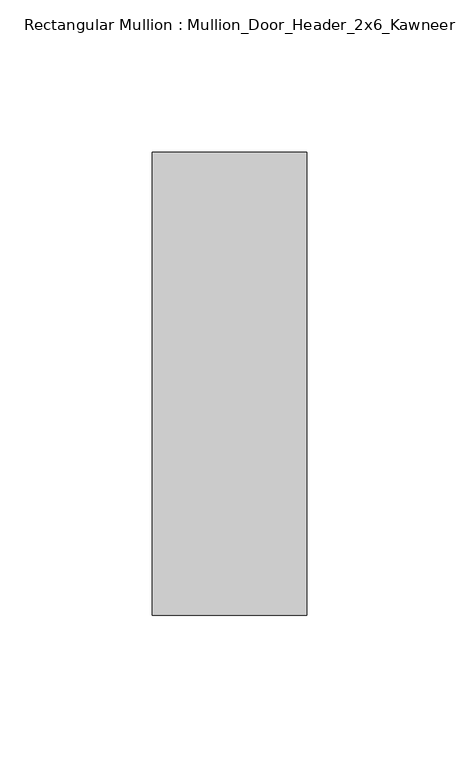
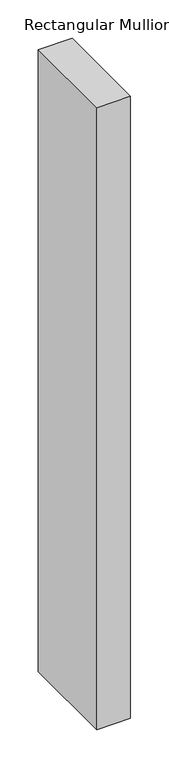
"""IFC4 building model written with IfcOpenShell, lengths in millimetres: member geometry, Rectangular Mullion : Mullion_Door_Header_2x6_Kawneer."""

import ifcopenshell
import ifcopenshell.guid

model = None  # the IFC model being written
_history = None  # IfcOwnerHistory: only IFC2X3 demands one
_inside = {}  # id of a spatial element -> (the spatial element, [elements in it])
_under = {}  # id of a project, library or spatial element -> (it, [spatial elements below it])
_declared = {}  # id of a project -> (the project, [libraries it declares])
_typed = {}  # id of a type object -> (the type object, [elements of that type])
_made_of = {}  # id of a material, layer set ... -> (it, [elements and type objects made of it])


def new_model(schema):
    """Start an empty IFC model of exactly this schema.

    Asked for "IFC4X3", IfcOpenShell would pick the latest addendum, in which some entities
    have other attributes; the version numbers below select the first issue.
    IFC2X3 requires an IfcOwnerHistory on every rooted entity: one is made here for all.
    """
    global model, _history
    if schema == "IFC4X3":
        model = ifcopenshell.file(schema_version=(4, 3, 0, 0))
    else:
        model = ifcopenshell.file(schema=schema)
    _inside.clear()
    _under.clear()
    _declared.clear()
    _typed.clear()
    _made_of.clear()
    _history = None
    if model.schema == "IFC2X3":
        org = make("IfcOrganization", Name="unknown")
        user = make(
            "IfcPersonAndOrganization",
            ThePerson=make("IfcPerson", FamilyName="unknown"),
            TheOrganization=org,
        )
        app = make(
            "IfcApplication",
            ApplicationDeveloper=org,
            Version="unknown",
            ApplicationFullName="unknown",
            ApplicationIdentifier="unknown",
        )
        _history = make(
            "IfcOwnerHistory",
            OwningUser=user,
            OwningApplication=app,
            ChangeAction="ADDED",
            CreationDate=0,
        )
    return model


def make(cls, **values):
    """One entity of the class cls with the attributes given. An attribute that is None is left unset."""
    return model.create_entity(
        cls, **{name: value for name, value in values.items() if value is not None}
    )


def rooted(cls, **values):
    """An entity with a GlobalId (a new one), such as an element, a storey or a relation."""
    return make(cls, GlobalId=ifcopenshell.guid.new(), OwnerHistory=_history, **values)


def si_unit(unit_type, name, prefix=None):
    """IfcSIUnit, for example si_unit("LENGTHUNIT", "METRE", prefix="MILLI")."""
    return make("IfcSIUnit", UnitType=unit_type, Prefix=prefix, Name=name)


def assignment(units):
    """IfcUnitAssignment: the units of a project."""
    return None if units is None else make("IfcUnitAssignment", Units=units)


def point(xyz):
    """IfcCartesianPoint."""
    return None if xyz is None else make("IfcCartesianPoint", Coordinates=xyz)


def direction(xyz):
    """IfcDirection."""
    return None if xyz is None else make("IfcDirection", DirectionRatios=xyz)


def frame(location, z_axis=None, x_axis=None):
    """IfcAxis2Placement3D, a coordinate frame: its origin and axes. An axis left out is left unset."""
    return make(
        "IfcAxis2Placement3D",
        Location=point(location),
        Axis=direction(z_axis),
        RefDirection=direction(x_axis),
    )


def origin():
    """The frame at (0, 0, 0) with its axes left unset."""
    return frame((0.0, 0.0, 0.0))


def place(relative_to, where):
    """IfcLocalPlacement: puts the frame where relative to a parent placement (None: the world)."""
    return make(
        "IfcLocalPlacement", PlacementRelTo=relative_to, RelativePlacement=where
    )


def context(
    kind, dimensions, precision=None, world=None, true_north=None, identifier=None
):
    """IfcGeometricRepresentationContext, for example the 3D "Model" context."""
    return make(
        "IfcGeometricRepresentationContext",
        ContextIdentifier=identifier,
        ContextType=kind,
        CoordinateSpaceDimension=dimensions,
        Precision=precision,
        WorldCoordinateSystem=world,
        TrueNorth=true_north,
    )


def project(units=None, contexts=None):
    """IfcProject with its units and contexts."""
    return rooted(
        "IfcProject",
        Name="project",
        RepresentationContexts=contexts,
        UnitsInContext=assignment(units),
    )


def spatial(cls, under=None, at=None, **own):
    """A site, building, storey or space (cls), placed at a placement, below another one or the project."""
    s = rooted(cls, ObjectPlacement=at, **own)
    if under is not None:
        _under.setdefault(under.id(), (under, []))[1].append(s)
    return s


def polyline(points):
    """IfcPolyline through the points."""
    return make("IfcPolyline", Points=[point(p) for p in points])


def outline(outer, holes=None, kind="AREA"):
    """IfcArbitraryClosedProfileDef: a profile drawn as a closed curve; with holes, ...WithVoids."""
    if holes is None:
        return make("IfcArbitraryClosedProfileDef", ProfileType=kind, OuterCurve=outer)
    return make(
        "IfcArbitraryProfileDefWithVoids",
        ProfileType=kind,
        OuterCurve=outer,
        InnerCurves=holes,
    )


def extrude(swept, where, along, depth):
    """IfcExtrudedAreaSolid: the profile swept, set in the frame where, extruded along a direction by depth."""
    return make(
        "IfcExtrudedAreaSolid",
        SweptArea=swept,
        Position=where,
        ExtrudedDirection=direction(along),
        Depth=depth,
    )


def shape(context_of_items, identifier, shape_type, items):
    """IfcShapeRepresentation: the items that make up one representation, for example the "Body"."""
    return make(
        "IfcShapeRepresentation",
        ContextOfItems=context_of_items,
        RepresentationIdentifier=identifier,
        RepresentationType=shape_type,
        Items=items,
    )


def source(mapping_origin, context_of_items, identifier, shape_type, items):
    """IfcRepresentationMap: a shape defined once, which mapped items show again and again."""
    return make(
        "IfcRepresentationMap",
        MappingOrigin=mapping_origin,
        MappedRepresentation=shape(context_of_items, identifier, shape_type, items),
    )


def transform(
    local_origin,
    x_axis=None,
    y_axis=None,
    z_axis=None,
    scale=None,
    scale2=None,
    scale3=None,
    uniform=True,
):
    """IfcCartesianTransformationOperator3D, or its non-uniform kind. x_axis, y_axis, z_axis: its Axis1, 2, 3."""
    if uniform:
        return make(
            "IfcCartesianTransformationOperator3D",
            Axis1=direction(x_axis),
            Axis2=direction(y_axis),
            LocalOrigin=point(local_origin),
            Scale=scale,
            Axis3=direction(z_axis),
        )
    return make(
        "IfcCartesianTransformationOperator3DnonUniform",
        Axis1=direction(x_axis),
        Axis2=direction(y_axis),
        LocalOrigin=point(local_origin),
        Scale=scale,
        Axis3=direction(z_axis),
        Scale2=scale2,
        Scale3=scale3,
    )


def mapped(mapping_source, mapping_target):
    """IfcMappedItem: shows the shape of a source again, moved by a transform."""
    return make(
        "IfcMappedItem", MappingSource=mapping_source, MappingTarget=mapping_target
    )


def made_of(thing, what):
    """Note that an element or type object is made of a material, layer set ...; save() writes the relation."""
    if what is not None:
        _made_of.setdefault(what.id(), (what, []))[1].append(thing)
    return thing


def element(
    cls,
    number,
    at=None,
    inside=None,
    cuts=None,
    type_object=None,
    material=None,
    context=None,
    identifier="Body",
    shape_type=None,
    held_by="IfcProductDefinitionShape",
    body=None,
    shapes=None,
    **own,
):
    """One element of the class cls, such as IfcWall. Its Tag is "e" and its number.

    at: its placement. inside: the storey or other place that contains it. cuts: it is an
    opening in that element (IfcRelVoidsElement). A single representation is given by context,
    identifier, shape_type and body (its items); several are given by shapes. held_by: the class
    of the entity that holds the representations. save() writes the other relations.
    """
    e = rooted(cls, Tag="e%d" % number, ObjectPlacement=at, **own)
    if body is not None:
        shapes = [shape(context, identifier, shape_type, body)]
    if shapes is not None:
        e.Representation = make(held_by, Representations=shapes)
    if inside is not None:
        _inside.setdefault(inside.id(), (inside, []))[1].append(e)
    if cuts is not None:
        rooted(
            "IfcRelVoidsElement", RelatingBuildingElement=cuts, RelatedOpeningElement=e
        )
    if type_object is not None:
        _typed.setdefault(type_object.id(), (type_object, []))[1].append(e)
    return made_of(e, material)


def aggregate(whole, parts):
    """IfcRelAggregates: a whole, such as a stair, and the parts it consists of."""
    return rooted("IfcRelAggregates", RelatingObject=whole, RelatedObjects=parts)


def save(model, path):
    """Write the relations noted so far, then the file.

    IfcRelAggregates (storeys below a building ...), IfcRelContainedInSpatialStructure (elements
    in a storey), IfcRelDefinesByType, IfcRelAssociatesMaterial and IfcRelDeclares: one each for
    every whole, place, type object, material and project.
    """
    for whole, parts in _under.values():
        aggregate(whole, parts)
    for where, things in _inside.values():
        rooted(
            "IfcRelContainedInSpatialStructure",
            RelatedElements=things,
            RelatingStructure=where,
        )
    for kind, things in _typed.values():
        rooted("IfcRelDefinesByType", RelatedObjects=things, RelatingType=kind)
    for what, things in _made_of.values():
        rooted("IfcRelAssociatesMaterial", RelatedObjects=things, RelatingMaterial=what)
    for by, libraries in _declared.values():
        rooted("IfcRelDeclares", RelatingContext=by, RelatedDefinitions=libraries)
    model.write(path)


def rectangular_mullion_mullion_door_header_2x6_kawneer_093a9459(model_context):
    return source(origin(), model_context, "Body", "SweptSolid", [
        extrude(outline(polyline([(-25.4, -76.2), (-25.4, 76.2), (25.4, 76.2), (25.4, -76.2), (-25.4, -76.2)])), frame((0.0, 0.0, -990.6), z_axis=(0.0, 0.0, 1.0), x_axis=(1.0, 0.0, 0.0)), (0.0, 0.0, 1.0), 990.6),
    ])


if __name__ == "__main__":
    model = new_model("IFC4")
    model_context = context("Model", 3, world=origin())
    ifc_project = project(units=[si_unit("LENGTHUNIT", "METRE", prefix="MILLI")], contexts=[model_context])
    site = spatial("IfcSite", under=ifc_project)
    building = spatial("IfcBuilding", under=site)
    placement = place(None, origin())
    rectangular_mullion_mullion_door_header_2x6_kawneer_shape = rectangular_mullion_mullion_door_header_2x6_kawneer_093a9459(model_context)
    element("IfcMember", 1, ObjectType="Rectangular Mullion : Mullion_Door_Header_2x6_Kawneer", at=placement, inside=building, context=model_context, shape_type="MappedRepresentation", body=[
        mapped(rectangular_mullion_mullion_door_header_2x6_kawneer_shape, transform((0.0, 0.0, 0.0), x_axis=(1.0, 0.0, 0.0), y_axis=(0.0, 1.0, 0.0), z_axis=(0.0, 0.0, 1.0))),
    ])
    save(model, "model.ifc")
